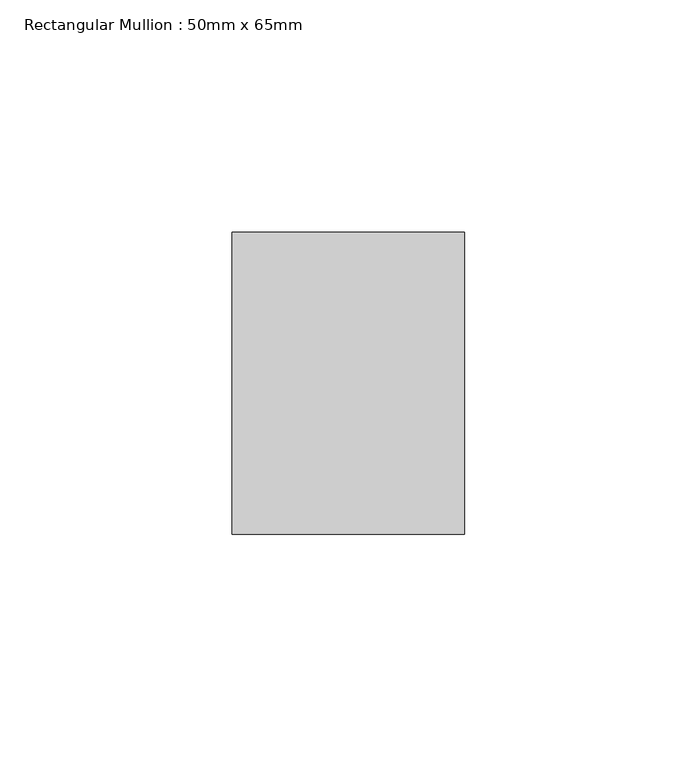
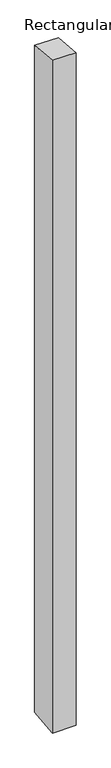
"""IFC4 building model written with IfcOpenShell, lengths in millimetres: member geometry, Rectangular Mullion : 50mm x 65mm."""

import ifcopenshell
import ifcopenshell.guid

model = None  # the IFC model being written
_history = None  # IfcOwnerHistory: only IFC2X3 demands one
_inside = {}  # id of a spatial element -> (the spatial element, [elements in it])
_under = {}  # id of a project, library or spatial element -> (it, [spatial elements below it])
_declared = {}  # id of a project -> (the project, [libraries it declares])
_typed = {}  # id of a type object -> (the type object, [elements of that type])
_made_of = {}  # id of a material, layer set ... -> (it, [elements and type objects made of it])


def new_model(schema):
    """Start an empty IFC model of exactly this schema.

    Asked for "IFC4X3", IfcOpenShell would pick the latest addendum, in which some entities
    have other attributes; the version numbers below select the first issue.
    IFC2X3 requires an IfcOwnerHistory on every rooted entity: one is made here for all.
    """
    global model, _history
    if schema == "IFC4X3":
        model = ifcopenshell.file(schema_version=(4, 3, 0, 0))
    else:
        model = ifcopenshell.file(schema=schema)
    _inside.clear()
    _under.clear()
    _declared.clear()
    _typed.clear()
    _made_of.clear()
    _history = None
    if model.schema == "IFC2X3":
        org = make("IfcOrganization", Name="unknown")
        user = make(
            "IfcPersonAndOrganization",
            ThePerson=make("IfcPerson", FamilyName="unknown"),
            TheOrganization=org,
        )
        app = make(
            "IfcApplication",
            ApplicationDeveloper=org,
            Version="unknown",
            ApplicationFullName="unknown",
            ApplicationIdentifier="unknown",
        )
        _history = make(
            "IfcOwnerHistory",
            OwningUser=user,
            OwningApplication=app,
            ChangeAction="ADDED",
            CreationDate=0,
        )
    return model


def make(cls, **values):
    """One entity of the class cls with the attributes given. An attribute that is None is left unset."""
    return model.create_entity(
        cls, **{name: value for name, value in values.items() if value is not None}
    )


def rooted(cls, **values):
    """An entity with a GlobalId (a new one), such as an element, a storey or a relation."""
    return make(cls, GlobalId=ifcopenshell.guid.new(), OwnerHistory=_history, **values)


def si_unit(unit_type, name, prefix=None):
    """IfcSIUnit, for example si_unit("LENGTHUNIT", "METRE", prefix="MILLI")."""
    return make("IfcSIUnit", UnitType=unit_type, Prefix=prefix, Name=name)


def assignment(units):
    """IfcUnitAssignment: the units of a project."""
    return None if units is None else make("IfcUnitAssignment", Units=units)


def point(xyz):
    """IfcCartesianPoint."""
    return None if xyz is None else make("IfcCartesianPoint", Coordinates=xyz)


def direction(xyz):
    """IfcDirection."""
    return None if xyz is None else make("IfcDirection", DirectionRatios=xyz)


def frame(location, z_axis=None, x_axis=None):
    """IfcAxis2Placement3D, a coordinate frame: its origin and axes. An axis left out is left unset."""
    return make(
        "IfcAxis2Placement3D",
        Location=point(location),
        Axis=direction(z_axis),
        RefDirection=direction(x_axis),
    )


def origin():
    """The frame at (0, 0, 0) with its axes left unset."""
    return frame((0.0, 0.0, 0.0))


def place(relative_to, where):
    """IfcLocalPlacement: puts the frame where relative to a parent placement (None: the world)."""
    return make(
        "IfcLocalPlacement", PlacementRelTo=relative_to, RelativePlacement=where
    )


def context(
    kind, dimensions, precision=None, world=None, true_north=None, identifier=None
):
    """IfcGeometricRepresentationContext, for example the 3D "Model" context."""
    return make(
        "IfcGeometricRepresentationContext",
        ContextIdentifier=identifier,
        ContextType=kind,
        CoordinateSpaceDimension=dimensions,
        Precision=precision,
        WorldCoordinateSystem=world,
        TrueNorth=true_north,
    )


def project(units=None, contexts=None):
    """IfcProject with its units and contexts."""
    return rooted(
        "IfcProject",
        Name="project",
        RepresentationContexts=contexts,
        UnitsInContext=assignment(units),
    )


def spatial(cls, under=None, at=None, **own):
    """A site, building, storey or space (cls), placed at a placement, below another one or the project."""
    s = rooted(cls, ObjectPlacement=at, **own)
    if under is not None:
        _under.setdefault(under.id(), (under, []))[1].append(s)
    return s


def faces_of(points, faces, orient=None, outer=None):
    """IfcFace entities. A face is a list of loops; a loop is a list of indices into points, from 0.

    orient and outer hold one flag for each loop. By default every Orientation is true, the
    first loop of a face is its IfcFaceOuterBound and the others are IfcFaceBound.
    """
    made = []
    for i, loops in enumerate(faces):
        bounds = []
        for j, loop in enumerate(loops):
            is_outer = j == 0 if outer is None else outer[i][j]
            bounds.append(
                make(
                    "IfcFaceOuterBound" if is_outer else "IfcFaceBound",
                    Bound=make("IfcPolyLoop", Polygon=[points[k] for k in loop]),
                    Orientation=True if orient is None else orient[i][j],
                )
            )
        made.append(make("IfcFace", Bounds=bounds))
    return made


def faceted_brep(points, faces, orient=None, outer=None, voids=None):
    """IfcFacetedBrep: a solid bounded by flat faces; with voids (closed shells), ...WithVoids."""
    shared = [point(p) for p in points]
    hull = make("IfcClosedShell", CfsFaces=faces_of(shared, faces, orient, outer))
    if voids is None:
        return make("IfcFacetedBrep", Outer=hull)
    return make(
        "IfcFacetedBrepWithVoids",
        Outer=hull,
        Voids=[
            make(cls, CfsFaces=faces_of(shared, fs, o, b)) for cls, fs, o, b in voids
        ],
    )


def shape(context_of_items, identifier, shape_type, items):
    """IfcShapeRepresentation: the items that make up one representation, for example the "Body"."""
    return make(
        "IfcShapeRepresentation",
        ContextOfItems=context_of_items,
        RepresentationIdentifier=identifier,
        RepresentationType=shape_type,
        Items=items,
    )


def source(mapping_origin, context_of_items, identifier, shape_type, items):
    """IfcRepresentationMap: a shape defined once, which mapped items show again and again."""
    return make(
        "IfcRepresentationMap",
        MappingOrigin=mapping_origin,
        MappedRepresentation=shape(context_of_items, identifier, shape_type, items),
    )


def transform(
    local_origin,
    x_axis=None,
    y_axis=None,
    z_axis=None,
    scale=None,
    scale2=None,
    scale3=None,
    uniform=True,
):
    """IfcCartesianTransformationOperator3D, or its non-uniform kind. x_axis, y_axis, z_axis: its Axis1, 2, 3."""
    if uniform:
        return make(
            "IfcCartesianTransformationOperator3D",
            Axis1=direction(x_axis),
            Axis2=direction(y_axis),
            LocalOrigin=point(local_origin),
            Scale=scale,
            Axis3=direction(z_axis),
        )
    return make(
        "IfcCartesianTransformationOperator3DnonUniform",
        Axis1=direction(x_axis),
        Axis2=direction(y_axis),
        LocalOrigin=point(local_origin),
        Scale=scale,
        Axis3=direction(z_axis),
        Scale2=scale2,
        Scale3=scale3,
    )


def mapped(mapping_source, mapping_target):
    """IfcMappedItem: shows the shape of a source again, moved by a transform."""
    return make(
        "IfcMappedItem", MappingSource=mapping_source, MappingTarget=mapping_target
    )


def made_of(thing, what):
    """Note that an element or type object is made of a material, layer set ...; save() writes the relation."""
    if what is not None:
        _made_of.setdefault(what.id(), (what, []))[1].append(thing)
    return thing


def element(
    cls,
    number,
    at=None,
    inside=None,
    cuts=None,
    type_object=None,
    material=None,
    context=None,
    identifier="Body",
    shape_type=None,
    held_by="IfcProductDefinitionShape",
    body=None,
    shapes=None,
    **own,
):
    """One element of the class cls, such as IfcWall. Its Tag is "e" and its number.

    at: its placement. inside: the storey or other place that contains it. cuts: it is an
    opening in that element (IfcRelVoidsElement). A single representation is given by context,
    identifier, shape_type and body (its items); several are given by shapes. held_by: the class
    of the entity that holds the representations. save() writes the other relations.
    """
    e = rooted(cls, Tag="e%d" % number, ObjectPlacement=at, **own)
    if body is not None:
        shapes = [shape(context, identifier, shape_type, body)]
    if shapes is not None:
        e.Representation = make(held_by, Representations=shapes)
    if inside is not None:
        _inside.setdefault(inside.id(), (inside, []))[1].append(e)
    if cuts is not None:
        rooted(
            "IfcRelVoidsElement", RelatingBuildingElement=cuts, RelatedOpeningElement=e
        )
    if type_object is not None:
        _typed.setdefault(type_object.id(), (type_object, []))[1].append(e)
    return made_of(e, material)


def aggregate(whole, parts):
    """IfcRelAggregates: a whole, such as a stair, and the parts it consists of."""
    return rooted("IfcRelAggregates", RelatingObject=whole, RelatedObjects=parts)


def save(model, path):
    """Write the relations noted so far, then the file.

    IfcRelAggregates (storeys below a building ...), IfcRelContainedInSpatialStructure (elements
    in a storey), IfcRelDefinesByType, IfcRelAssociatesMaterial and IfcRelDeclares: one each for
    every whole, place, type object, material and project.
    """
    for whole, parts in _under.values():
        aggregate(whole, parts)
    for where, things in _inside.values():
        rooted(
            "IfcRelContainedInSpatialStructure",
            RelatedElements=things,
            RelatingStructure=where,
        )
    for kind, things in _typed.values():
        rooted("IfcRelDefinesByType", RelatedObjects=things, RelatingType=kind)
    for what, things in _made_of.values():
        rooted("IfcRelAssociatesMaterial", RelatedObjects=things, RelatingMaterial=what)
    for by, libraries in _declared.values():
        rooted("IfcRelDeclares", RelatingContext=by, RelatedDefinitions=libraries)
    model.write(path)


def rectangular_mullion_50mm_x_65mm_f33cce37(model_context):
    return source(origin(), model_context, "Body", "Brep", [
        faceted_brep([(-25.0, 32.5, -2.9911555), (25.0, 32.5, -2.9911573), (25.0, 32.5, -1496.6283933), (-25.0, 32.5, -1496.6283954), (-25.0, -32.5, 2.9911573), (-25.0, -32.5, -1503.3717607), (25.0, -32.5, 2.9911555), (25.0, -32.5, -1503.3717586)], [[[0, 1, 2, 3]], [[4, 0, 3, 5]], [[6, 4, 5, 7]], [[1, 6, 7, 2]], [[1, 0, 4, 6]], [[2, 7, 5, 3]]]),
    ])


if __name__ == "__main__":
    model = new_model("IFC4")
    model_context = context("Model", 3, world=origin())
    ifc_project = project(units=[si_unit("LENGTHUNIT", "METRE", prefix="MILLI")], contexts=[model_context])
    site = spatial("IfcSite", under=ifc_project)
    building = spatial("IfcBuilding", under=site)
    placement = place(None, origin())
    rectangular_mullion_50mm_x_65mm_shape = rectangular_mullion_50mm_x_65mm_f33cce37(model_context)
    element("IfcMember", 1, ObjectType="Rectangular Mullion : 50mm x 65mm", at=placement, inside=building, context=model_context, shape_type="MappedRepresentation", body=[
        mapped(rectangular_mullion_50mm_x_65mm_shape, transform((0.0, 0.0, 0.0), x_axis=(1.0, 0.0, 0.0), y_axis=(0.0, 1.0, 0.0), z_axis=(0.0, 0.0, 1.0))),
    ])
    save(model, "model.ifc")
